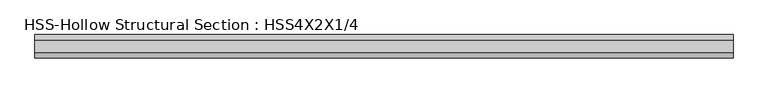
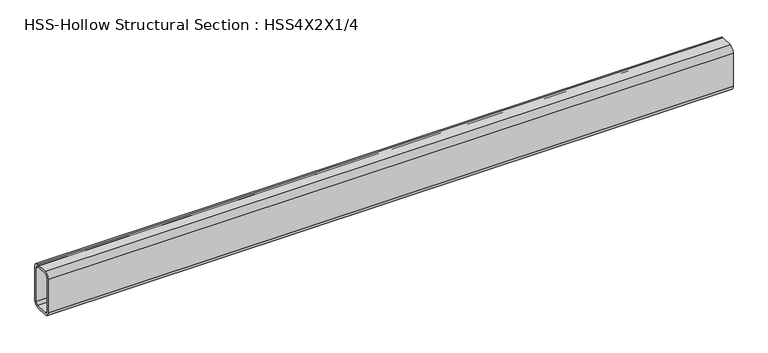
"""IFC4 building model written with IfcOpenShell, lengths in millimetres: beam geometry, HSS-Hollow Structural Section : HSS4X2X1/4."""

from ifc_helpers import new_model, si_unit, point, frame, frame_2d, origin, place, context, project, spatial, polyline, circle_curve, trimmed, segment, composite_curve, outline, extrude, source, transform, mapped, element, save


def hss_hollow_structural_section_hss4x2x1_4_c10a0acb(model_context):
    return source(origin(), model_context, "Body", "SweptSolid", [
        extrude(outline(composite_curve([segment(polyline([(25.4, 38.9636), (25.4, -38.9636)]), True, "CONTINUOUS"), segment(trimmed(circle_curve(frame_2d((13.5636, -38.9636)), 11.8364), [point((25.4, -38.9636))], [point((13.5636, -50.8))], False, "CARTESIAN"), True, "CONTINUOUS"), segment(polyline([(13.5636, -50.8), (-13.5636, -50.8)]), True, "CONTINUOUS"), segment(trimmed(circle_curve(frame_2d((-13.5636, -38.9636)), 11.8364), [point((-13.5636, -50.8))], [point((-25.4, -38.9636))], False, "CARTESIAN"), True, "CONTINUOUS"), segment(polyline([(-25.4, -38.9636), (-25.4, 38.9636)]), True, "CONTINUOUS"), segment(trimmed(circle_curve(frame_2d((-13.5636, 38.9636)), 11.8364), [point((-25.4, 38.9636))], [point((-13.5636, 50.8))], False, "CARTESIAN"), True, "CONTINUOUS"), segment(polyline([(-13.5636, 50.8), (13.5636, 50.8)]), True, "CONTINUOUS"), segment(trimmed(circle_curve(frame_2d((13.5636, 38.9636)), 11.8364), [point((13.5636, 50.8))], [point((25.4, 38.9636))], False, "CARTESIAN"), True, "CONTINUOUS")], self_intersect=False), holes=[composite_curve([segment(trimmed(circle_curve(frame_2d((-13.5636, 38.9636)), 5.9182), [point((-13.5636, 44.8818))], [point((-19.4818, 38.9636))], True, "CARTESIAN"), True, "CONTINUOUS"), segment(polyline([(-19.4818, 38.9636), (-19.4818, -38.9636)]), True, "CONTINUOUS"), segment(trimmed(circle_curve(frame_2d((-13.5636, -38.9636)), 5.9182), [point((-19.4818, -38.9636))], [point((-13.5636, -44.8818))], True, "CARTESIAN"), True, "CONTINUOUS"), segment(polyline([(-13.5636, -44.8818), (13.5636, -44.8818)]), True, "CONTINUOUS"), segment(trimmed(circle_curve(frame_2d((13.5636, -38.9636)), 5.9182), [point((13.5636, -44.8818))], [point((19.4818, -38.9636))], True, "CARTESIAN"), True, "CONTINUOUS"), segment(polyline([(19.4818, -38.9636), (19.4818, 38.9636)]), True, "CONTINUOUS"), segment(trimmed(circle_curve(frame_2d((13.5636, 38.9636)), 5.9182), [point((19.4818, 38.9636))], [point((13.5636, 44.8818))], True, "CARTESIAN"), True, "CONTINUOUS"), segment(polyline([(13.5636, 44.8818), (-13.5636, 44.8818)]), True, "CONTINUOUS")], self_intersect=False)]), frame((-759.333, 0.0, 0.0), z_axis=(1.0, 0.0, 0.0), x_axis=(0.0, 1.0, 0.0)), (0.0, 0.0, 1.0), 1518.666),
    ])


if __name__ == "__main__":
    model = new_model("IFC4")
    model_context = context("Model", 3, world=origin())
    ifc_project = project(units=[si_unit("LENGTHUNIT", "METRE", prefix="MILLI")], contexts=[model_context])
    site = spatial("IfcSite", under=ifc_project)
    building = spatial("IfcBuilding", under=site)
    placement = place(None, origin())
    hss_hollow_structural_section_hss4x2x1_4_shape = hss_hollow_structural_section_hss4x2x1_4_c10a0acb(model_context)
    element("IfcBeam", 1, ObjectType="HSS-Hollow Structural Section : HSS4X2X1/4", at=placement, inside=building, context=model_context, shape_type="MappedRepresentation", body=[
        mapped(hss_hollow_structural_section_hss4x2x1_4_shape, transform((0.0, 0.0, 0.0), x_axis=(1.0, 0.0, 0.0), y_axis=(0.0, 1.0, 0.0), z_axis=(0.0, 0.0, 1.0))),
    ])
    save(model, "model.ifc")
